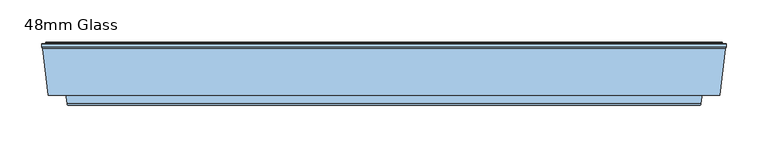
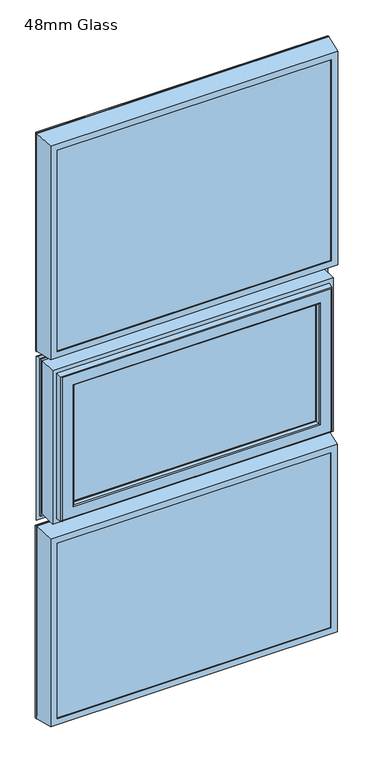
"""IFC4 building model written with IfcOpenShell, lengths in millimetres: window geometry, 48mm Glass."""

import ifcopenshell
import ifcopenshell.guid

model = None  # the IFC model being written
_history = None  # IfcOwnerHistory: only IFC2X3 demands one
_inside = {}  # id of a spatial element -> (the spatial element, [elements in it])
_under = {}  # id of a project, library or spatial element -> (it, [spatial elements below it])
_declared = {}  # id of a project -> (the project, [libraries it declares])
_typed = {}  # id of a type object -> (the type object, [elements of that type])
_made_of = {}  # id of a material, layer set ... -> (it, [elements and type objects made of it])


def new_model(schema):
    """Start an empty IFC model of exactly this schema.

    Asked for "IFC4X3", IfcOpenShell would pick the latest addendum, in which some entities
    have other attributes; the version numbers below select the first issue.
    IFC2X3 requires an IfcOwnerHistory on every rooted entity: one is made here for all.
    """
    global model, _history
    if schema == "IFC4X3":
        model = ifcopenshell.file(schema_version=(4, 3, 0, 0))
    else:
        model = ifcopenshell.file(schema=schema)
    _inside.clear()
    _under.clear()
    _declared.clear()
    _typed.clear()
    _made_of.clear()
    _history = None
    if model.schema == "IFC2X3":
        org = make("IfcOrganization", Name="unknown")
        user = make(
            "IfcPersonAndOrganization",
            ThePerson=make("IfcPerson", FamilyName="unknown"),
            TheOrganization=org,
        )
        app = make(
            "IfcApplication",
            ApplicationDeveloper=org,
            Version="unknown",
            ApplicationFullName="unknown",
            ApplicationIdentifier="unknown",
        )
        _history = make(
            "IfcOwnerHistory",
            OwningUser=user,
            OwningApplication=app,
            ChangeAction="ADDED",
            CreationDate=0,
        )
    return model


def make(cls, **values):
    """One entity of the class cls with the attributes given. An attribute that is None is left unset."""
    return model.create_entity(
        cls, **{name: value for name, value in values.items() if value is not None}
    )


def rooted(cls, **values):
    """An entity with a GlobalId (a new one), such as an element, a storey or a relation."""
    return make(cls, GlobalId=ifcopenshell.guid.new(), OwnerHistory=_history, **values)


def si_unit(unit_type, name, prefix=None):
    """IfcSIUnit, for example si_unit("LENGTHUNIT", "METRE", prefix="MILLI")."""
    return make("IfcSIUnit", UnitType=unit_type, Prefix=prefix, Name=name)


def assignment(units):
    """IfcUnitAssignment: the units of a project."""
    return None if units is None else make("IfcUnitAssignment", Units=units)


def point(xyz):
    """IfcCartesianPoint."""
    return None if xyz is None else make("IfcCartesianPoint", Coordinates=xyz)


def direction(xyz):
    """IfcDirection."""
    return None if xyz is None else make("IfcDirection", DirectionRatios=xyz)


def frame(location, z_axis=None, x_axis=None):
    """IfcAxis2Placement3D, a coordinate frame: its origin and axes. An axis left out is left unset."""
    return make(
        "IfcAxis2Placement3D",
        Location=point(location),
        Axis=direction(z_axis),
        RefDirection=direction(x_axis),
    )


def origin():
    """The frame at (0, 0, 0) with its axes left unset."""
    return frame((0.0, 0.0, 0.0))


def place(relative_to, where):
    """IfcLocalPlacement: puts the frame where relative to a parent placement (None: the world)."""
    return make(
        "IfcLocalPlacement", PlacementRelTo=relative_to, RelativePlacement=where
    )


def context(
    kind, dimensions, precision=None, world=None, true_north=None, identifier=None
):
    """IfcGeometricRepresentationContext, for example the 3D "Model" context."""
    return make(
        "IfcGeometricRepresentationContext",
        ContextIdentifier=identifier,
        ContextType=kind,
        CoordinateSpaceDimension=dimensions,
        Precision=precision,
        WorldCoordinateSystem=world,
        TrueNorth=true_north,
    )


def project(units=None, contexts=None):
    """IfcProject with its units and contexts."""
    return rooted(
        "IfcProject",
        Name="project",
        RepresentationContexts=contexts,
        UnitsInContext=assignment(units),
    )


def spatial(cls, under=None, at=None, **own):
    """A site, building, storey or space (cls), placed at a placement, below another one or the project."""
    s = rooted(cls, ObjectPlacement=at, **own)
    if under is not None:
        _under.setdefault(under.id(), (under, []))[1].append(s)
    return s


def polyline(points):
    """IfcPolyline through the points."""
    return make("IfcPolyline", Points=[point(p) for p in points])


def ellipse_curve(where, semi_axis1, semi_axis2):
    """IfcEllipse in the frame where."""
    return make(
        "IfcEllipse", Position=where, SemiAxis1=semi_axis1, SemiAxis2=semi_axis2
    )


def outline(outer, holes=None, kind="AREA"):
    """IfcArbitraryClosedProfileDef: a profile drawn as a closed curve; with holes, ...WithVoids."""
    if holes is None:
        return make("IfcArbitraryClosedProfileDef", ProfileType=kind, OuterCurve=outer)
    return make(
        "IfcArbitraryProfileDefWithVoids",
        ProfileType=kind,
        OuterCurve=outer,
        InnerCurves=holes,
    )


def extrude(swept, where, along, depth):
    """IfcExtrudedAreaSolid: the profile swept, set in the frame where, extruded along a direction by depth."""
    return make(
        "IfcExtrudedAreaSolid",
        SweptArea=swept,
        Position=where,
        ExtrudedDirection=direction(along),
        Depth=depth,
    )


def shape(context_of_items, identifier, shape_type, items):
    """IfcShapeRepresentation: the items that make up one representation, for example the "Body"."""
    return make(
        "IfcShapeRepresentation",
        ContextOfItems=context_of_items,
        RepresentationIdentifier=identifier,
        RepresentationType=shape_type,
        Items=items,
    )


def source(mapping_origin, context_of_items, identifier, shape_type, items):
    """IfcRepresentationMap: a shape defined once, which mapped items show again and again."""
    return make(
        "IfcRepresentationMap",
        MappingOrigin=mapping_origin,
        MappedRepresentation=shape(context_of_items, identifier, shape_type, items),
    )


def transform(
    local_origin,
    x_axis=None,
    y_axis=None,
    z_axis=None,
    scale=None,
    scale2=None,
    scale3=None,
    uniform=True,
):
    """IfcCartesianTransformationOperator3D, or its non-uniform kind. x_axis, y_axis, z_axis: its Axis1, 2, 3."""
    if uniform:
        return make(
            "IfcCartesianTransformationOperator3D",
            Axis1=direction(x_axis),
            Axis2=direction(y_axis),
            LocalOrigin=point(local_origin),
            Scale=scale,
            Axis3=direction(z_axis),
        )
    return make(
        "IfcCartesianTransformationOperator3DnonUniform",
        Axis1=direction(x_axis),
        Axis2=direction(y_axis),
        LocalOrigin=point(local_origin),
        Scale=scale,
        Axis3=direction(z_axis),
        Scale2=scale2,
        Scale3=scale3,
    )


def mapped(mapping_source, mapping_target):
    """IfcMappedItem: shows the shape of a source again, moved by a transform."""
    return make(
        "IfcMappedItem", MappingSource=mapping_source, MappingTarget=mapping_target
    )


def made_of(thing, what):
    """Note that an element or type object is made of a material, layer set ...; save() writes the relation."""
    if what is not None:
        _made_of.setdefault(what.id(), (what, []))[1].append(thing)
    return thing


def element(
    cls,
    number,
    at=None,
    inside=None,
    cuts=None,
    type_object=None,
    material=None,
    context=None,
    identifier="Body",
    shape_type=None,
    held_by="IfcProductDefinitionShape",
    body=None,
    shapes=None,
    **own,
):
    """One element of the class cls, such as IfcWall. Its Tag is "e" and its number.

    at: its placement. inside: the storey or other place that contains it. cuts: it is an
    opening in that element (IfcRelVoidsElement). A single representation is given by context,
    identifier, shape_type and body (its items); several are given by shapes. held_by: the class
    of the entity that holds the representations. save() writes the other relations.
    """
    e = rooted(cls, Tag="e%d" % number, ObjectPlacement=at, **own)
    if body is not None:
        shapes = [shape(context, identifier, shape_type, body)]
    if shapes is not None:
        e.Representation = make(held_by, Representations=shapes)
    if inside is not None:
        _inside.setdefault(inside.id(), (inside, []))[1].append(e)
    if cuts is not None:
        rooted(
            "IfcRelVoidsElement", RelatingBuildingElement=cuts, RelatedOpeningElement=e
        )
    if type_object is not None:
        _typed.setdefault(type_object.id(), (type_object, []))[1].append(e)
    return made_of(e, material)


def aggregate(whole, parts):
    """IfcRelAggregates: a whole, such as a stair, and the parts it consists of."""
    return rooted("IfcRelAggregates", RelatingObject=whole, RelatedObjects=parts)


def save(model, path):
    """Write the relations noted so far, then the file.

    IfcRelAggregates (storeys below a building ...), IfcRelContainedInSpatialStructure (elements
    in a storey), IfcRelDefinesByType, IfcRelAssociatesMaterial and IfcRelDeclares: one each for
    every whole, place, type object, material and project.
    """
    for whole, parts in _under.values():
        aggregate(whole, parts)
    for where, things in _inside.values():
        rooted(
            "IfcRelContainedInSpatialStructure",
            RelatedElements=things,
            RelatingStructure=where,
        )
    for kind, things in _typed.values():
        rooted("IfcRelDefinesByType", RelatedObjects=things, RelatingType=kind)
    for what, things in _made_of.values():
        rooted("IfcRelAssociatesMaterial", RelatedObjects=things, RelatingMaterial=what)
    for by, libraries in _declared.values():
        rooted("IfcRelDeclares", RelatingContext=by, RelatedDefinitions=libraries)
    model.write(path)


def plane_surface(at):
    """IfcPlane: the flat surface through the origin of the frame at, square to its z axis."""
    return make("IfcPlane", Position=at)


def cylinder_surface(at, radius):
    """IfcCylindricalSurface: all points at the distance radius from the z axis of the frame at."""
    return make("IfcCylindricalSurface", Position=at, Radius=radius)


def advanced_brep(points, edges, surfaces, faces):
    """IfcAdvancedBrep: a solid bounded by faces that lie on surfaces and meet in shared edges.

    An edge is (start, end): straight between two places in points (the first is 0);
    or (start, end, curve); or (start, end, curve, False) where it runs against its curve.
    A face is (place in surfaces, loops), or (place, loops, False) where it looks against
    its surface's normal. A loop lists edges by number (the first is 1), with a minus sign
    where the edge is run from its end to its start. The first loop is the outer one.
    """
    corners = [point(p) for p in points]
    vertices = [make("IfcVertexPoint", VertexGeometry=c) for c in corners]
    made = []
    for start, end, *more in edges:
        made.append(
            make(
                "IfcEdgeCurve",
                EdgeStart=vertices[start],
                EdgeEnd=vertices[end],
                EdgeGeometry=more[0] if more else make("IfcPolyline", Points=[corners[start], corners[end]]),
                SameSense=more[1] if len(more) > 1 else True,
            )
        )
    hull = []
    for where, loops, *sense in faces:
        bounds = []
        for j, loop in enumerate(loops):
            ring = [make("IfcOrientedEdge", EdgeElement=made[abs(k) - 1], Orientation=k > 0) for k in loop]
            bounds.append(
                make(
                    "IfcFaceOuterBound" if j == 0 else "IfcFaceBound",
                    Bound=make("IfcEdgeLoop", EdgeList=ring),
                    Orientation=True,
                )
            )
        hull.append(make("IfcAdvancedFace", Bounds=bounds, FaceSurface=surfaces[where], SameSense=sense[0] if sense else True))
    return make("IfcAdvancedBrep", Outer=make("IfcClosedShell", CfsFaces=hull))


def window_48mm_glass_285c9c39(model_context):
    return source(origin(), model_context, "Body", "SolidModel", [
        extrude(outline(polyline([(396.0, 93.0), (-396.0, 93.0), (-396.0, 141.0), (396.0, 141.0), (396.0, 93.0)])), frame((0.0, 0.0, 1931.0), z_axis=(0.0, 0.0, 1.0), x_axis=(1.0, 0.0, 0.0)), (0.0, 0.0, 1.0), 621.0),
        advanced_brep(
        [(382.0, 142.3448353, 2538.0), (384.8884017, 151.7923717, 2540.8884017), (384.8884017, 151.7923717, 1942.1115983), (382.0, 142.3448353, 1945.0), (382.0, 141.0, 2538.0), (382.0, 141.0, 1945.0), (396.0, 93.0, 2552.0), (396.0, 141.0, 2552.0), (396.0, 141.0, 1931.0), (396.0, 93.0, 1931.0), (382.0, 90.0, 2538.0), (382.0, 93.0, 2538.0), (382.0, 93.0, 1945.0), (382.0, 90.0, 1945.0), (406.822025, 145.5609347, 2562.822025), (400.0, 90.0, 2556.0), (400.0, 90.0, 1927.0), (406.822025, 145.5609347, 1920.177975), (407.6, 147.2, 2563.6), (407.6, 147.2, 1919.4), (407.6, 150.5, 2563.6), (407.6, 150.5, 1919.4), (403.22, 151.5, 2559.22), (403.22, 150.5, 2559.22), (403.22, 150.5, 1923.78), (403.22, 151.5, 1923.78), (402.22, 152.5, 2558.22), (402.22, 152.5, 1924.78), (385.8447065, 152.5, 2541.8447065), (385.8447065, 152.5, 1941.1552935), (-384.8884017, 151.7923717, 1942.1115983), (-382.0, 142.3448353, 1945.0), (-382.0, 141.0, 1945.0), (-396.0, 141.0, 1931.0), (-396.0, 93.0, 1931.0), (-382.0, 93.0, 1945.0), (-382.0, 90.0, 1945.0), (-400.0, 90.0, 1927.0), (-406.822025, 145.5609347, 1920.177975), (-407.6, 147.2, 1919.4), (-407.6, 150.5, 1919.4), (-403.22, 150.5, 1923.78), (-403.22, 151.5, 1923.78), (-402.22, 152.5, 1924.78), (-385.8447065, 152.5, 1941.1552935), (-384.8884017, 151.7923717, 2540.8884017), (-382.0, 142.3448353, 2538.0), (-382.0, 141.0, 2538.0), (-396.0, 141.0, 2552.0), (-396.0, 93.0, 2552.0), (-382.0, 93.0, 2538.0), (-382.0, 90.0, 2538.0), (-400.0, 90.0, 2556.0), (-406.822025, 145.5609347, 2562.822025), (-407.6, 147.2, 2563.6), (-407.6, 150.5, 2563.6), (-403.22, 150.5, 2559.22), (-403.22, 151.5, 2559.22), (-402.22, 152.5, 2558.22), (-385.8447065, 152.5, 2541.8447065)],
        [
            (0, 1),
            (1, 2),
            (2, 3),
            (3, 0),
            (4, 0),
            (3, 5),
            (5, 4),
            (6, 7),
            (7, 8),
            (8, 9),
            (9, 6),
            (10, 11),
            (11, 12),
            (12, 13),
            (13, 10),
            (14, 15),
            (15, 16),
            (16, 17),
            (17, 14),
            (18, 14),
            (17, 19),
            (19, 18),
            (20, 18),
            (19, 21),
            (21, 20),
            (22, 23),
            (23, 24),
            (24, 25),
            (25, 22),
            (26, 22, ellipse_curve(frame((402.22, 151.5, 2558.22), z_axis=(0.7071067811865475, 0.0, -0.7071067811865475), x_axis=(0.7071067811865474, 0.0, 0.7071067811865476)), 1.4142136, 1.0)),
            (25, 27, ellipse_curve(frame((402.22, 151.5, 1924.78), z_axis=(0.7071067811865475, 0.0, 0.7071067811865475), x_axis=(-0.7071067811865474, 0.0, 0.7071067811865476)), 1.4142136, 1.0)),
            (27, 26),
            (1, 28, ellipse_curve(frame((385.8447065, 151.5, 2541.8447065), z_axis=(0.7071067811865475, 0.0, -0.7071067811865475), x_axis=(0.7071067811865474, 0.0, 0.7071067811865476)), 1.4142136, 1.0)),
            (28, 29),
            (29, 2, ellipse_curve(frame((385.8447065, 151.5, 1941.1552935), z_axis=(0.7071067811865475, 0.0, 0.7071067811865475), x_axis=(-0.7071067811865474, 0.0, 0.7071067811865476)), 1.4142136, 1.0)),
            (2, 30),
            (30, 31),
            (31, 3),
            (31, 32),
            (32, 5),
            (8, 33),
            (33, 34),
            (34, 9),
            (12, 35),
            (35, 36),
            (36, 13),
            (16, 37),
            (37, 38),
            (38, 17),
            (38, 39),
            (39, 19),
            (39, 40),
            (40, 21),
            (24, 41),
            (41, 42),
            (42, 25),
            (42, 43, ellipse_curve(frame((-402.22, 151.5, 1924.78), z_axis=(0.7071067811865475, 0.0, -0.7071067811865475), x_axis=(0.7071067811865476, 0.0, 0.7071067811865474)), 1.4142136, 1.0)),
            (43, 27),
            (29, 44),
            (44, 30, ellipse_curve(frame((-385.8447065, 151.5, 1941.1552935), z_axis=(0.7071067811865475, 0.0, -0.7071067811865475), x_axis=(0.7071067811865476, 0.0, 0.7071067811865474)), 1.4142136, 1.0)),
            (30, 45),
            (45, 46),
            (46, 31),
            (46, 47),
            (47, 32),
            (33, 48),
            (48, 49),
            (49, 34),
            (35, 50),
            (50, 51),
            (51, 36),
            (37, 52),
            (52, 53),
            (53, 38),
            (53, 54),
            (54, 39),
            (54, 55),
            (55, 40),
            (41, 56),
            (56, 57),
            (57, 42),
            (57, 58, ellipse_curve(frame((-402.22, 151.5, 2558.22), z_axis=(-0.7071067811865475, 0.0, -0.7071067811865475), x_axis=(0.7071067811865474, 0.0, -0.7071067811865476)), 1.4142136, 1.0)),
            (58, 43),
            (44, 59),
            (59, 45, ellipse_curve(frame((-385.8447065, 151.5, 2541.8447065), z_axis=(-0.7071067811865475, 0.0, -0.7071067811865475), x_axis=(0.7071067811865474, 0.0, -0.7071067811865476)), 1.4142136, 1.0)),
            (45, 1),
            (0, 46),
            (4, 47),
            (7, 48),
            (6, 49),
            (11, 50),
            (10, 51),
            (15, 52),
            (14, 53),
            (18, 54),
            (20, 55),
            (23, 56),
            (22, 57),
            (26, 58),
            (28, 59),
        ],
        [
            plane_surface(frame((384.8884017, 151.7923717, 2540.8884017), z_axis=(-0.9563047559630347, 0.29237170472273977, 0.0), x_axis=(0.0, 0.0, -1.0))),
            plane_surface(frame((382.0, 142.3448353, 2538.0), z_axis=(-1.0, 0.0, 0.0), x_axis=(0.0, 0.0, -1.0))),
            plane_surface(frame((396.0, 141.0, 2552.0), z_axis=(-1.0, 0.0, 0.0), x_axis=(0.0, 0.0, -1.0))),
            plane_surface(frame((382.0, 93.0, 2538.0), z_axis=(-1.0, 0.0, 0.0), x_axis=(0.0, 0.0, -1.0))),
            plane_surface(frame((400.0, 90.0, 2556.0), z_axis=(0.9925461516413231, -0.12186934340513905, 0.0), x_axis=(0.0, 0.0, -1.0))),
            plane_surface(frame((406.822025, 145.5609347, 2562.822025), z_axis=(0.9034015732556399, -0.4287955193786835, 0.0), x_axis=(0.0, 0.0, -1.0))),
            plane_surface(frame((407.6, 147.2, 2563.6), z_axis=(1.0, 0.0, 0.0), x_axis=(0.0, 0.0, -1.0))),
            plane_surface(frame((403.22, 150.5, 2559.22), z_axis=(1.0, 0.0, 0.0), x_axis=(0.0, 0.0, -1.0))),
            cylinder_surface(frame((402.22, 151.5, 2588.0), z_axis=(0.0, 0.0, 1.0), x_axis=(0.0, -1.0, 0.0)), 1.0),
            cylinder_surface(frame((385.8447065, 151.5, 2588.0), z_axis=(0.0, 0.0, 1.0), x_axis=(0.0, -1.0, 0.0)), 1.0),
            plane_surface(frame((384.8884017, 151.7923717, 1942.1115983), z_axis=(0.0, 0.29237170472273977, 0.9563047559630347), x_axis=(-1.0, 0.0, 0.0))),
            plane_surface(frame((382.0, 142.3448353, 1945.0), z_axis=(0.0, 0.0, 1.0), x_axis=(-1.0, 0.0, 0.0))),
            plane_surface(frame((396.0, 141.0, 1931.0), z_axis=(0.0, 0.0, 1.0), x_axis=(-1.0, 0.0, 0.0))),
            plane_surface(frame((382.0, 93.0, 1945.0), z_axis=(0.0, 0.0, 1.0), x_axis=(-1.0, 0.0, 0.0))),
            plane_surface(frame((400.0, 90.0, 1927.0), z_axis=(0.0, -0.12186934340513905, -0.9925461516413231), x_axis=(-1.0, 0.0, 0.0))),
            plane_surface(frame((406.822025, 145.5609347, 1920.177975), z_axis=(0.0, -0.4287955193786835, -0.9034015732556399), x_axis=(-1.0, 0.0, 0.0))),
            plane_surface(frame((407.6, 147.2, 1919.4), z_axis=(0.0, 0.0, -1.0), x_axis=(-1.0, 0.0, 0.0))),
            plane_surface(frame((403.22, 150.5, 1923.78), z_axis=(0.0, 0.0, -1.0), x_axis=(-1.0, 0.0, 0.0))),
            cylinder_surface(frame((432.0, 151.5, 1924.78), z_axis=(1.0, 0.0, 0.0), x_axis=(0.0, -1.0, 0.0)), 1.0),
            cylinder_surface(frame((432.0, 151.5, 1941.1552935), z_axis=(1.0, 0.0, 0.0), x_axis=(0.0, -1.0, 0.0)), 1.0),
            plane_surface(frame((-384.8884017, 151.7923717, 1942.1115983), z_axis=(0.9563047559630347, 0.29237170472273977, 0.0), x_axis=(0.0, 0.0, 1.0))),
            plane_surface(frame((-382.0, 142.3448353, 1945.0), z_axis=(1.0, 0.0, 0.0), x_axis=(0.0, 0.0, 1.0))),
            plane_surface(frame((-396.0, 141.0, 1931.0), z_axis=(1.0, 0.0, 0.0), x_axis=(0.0, 0.0, 1.0))),
            plane_surface(frame((-382.0, 93.0, 1945.0), z_axis=(1.0, 0.0, 0.0), x_axis=(0.0, 0.0, 1.0))),
            plane_surface(frame((-400.0, 90.0, 1927.0), z_axis=(-0.9925461516413231, -0.12186934340513905, 0.0), x_axis=(0.0, 0.0, 1.0))),
            plane_surface(frame((-406.822025, 145.5609347, 1920.177975), z_axis=(-0.9034015732556399, -0.4287955193786835, 0.0), x_axis=(0.0, 0.0, 1.0))),
            plane_surface(frame((-407.6, 147.2, 1919.4), z_axis=(-1.0, 0.0, 0.0), x_axis=(0.0, 0.0, 1.0))),
            plane_surface(frame((-403.22, 150.5, 1923.78), z_axis=(-1.0, 0.0, 0.0), x_axis=(0.0, 0.0, 1.0))),
            cylinder_surface(frame((-402.22, 151.5, 1895.0), z_axis=(0.0, 0.0, -1.0), x_axis=(0.0, -1.0, 0.0)), 1.0),
            cylinder_surface(frame((-385.8447065, 151.5, 1895.0), z_axis=(0.0, 0.0, -1.0), x_axis=(0.0, -1.0, 0.0)), 1.0),
            plane_surface(frame((-384.8884017, 151.7923717, 2540.8884017), z_axis=(0.0, 0.29237170472273977, -0.9563047559630347), x_axis=(1.0, 0.0, 0.0))),
            plane_surface(frame((-382.0, 142.3448353, 2538.0), z_axis=(0.0, 0.0, -1.0), x_axis=(1.0, 0.0, 0.0))),
            plane_surface(frame((-382.0, 141.0, 2538.0), z_axis=(0.0, -1.0, 0.0), x_axis=(1.0, 0.0, 0.0))),
            plane_surface(frame((-396.0, 141.0, 2552.0), z_axis=(0.0, 0.0, -1.0), x_axis=(1.0, 0.0, 0.0))),
            plane_surface(frame((-396.0, 93.0, 2552.0), z_axis=(0.0, 1.0, 0.0), x_axis=(1.0, 0.0, 0.0))),
            plane_surface(frame((-382.0, 93.0, 2538.0), z_axis=(0.0, 0.0, -1.0), x_axis=(1.0, 0.0, 0.0))),
            plane_surface(frame((-382.0, 90.0, 2538.0), z_axis=(0.0, -1.0, 0.0), x_axis=(1.0, 0.0, 0.0))),
            plane_surface(frame((-400.0, 90.0, 2556.0), z_axis=(0.0, -0.12186934340513905, 0.9925461516413231), x_axis=(1.0, 0.0, 0.0))),
            plane_surface(frame((-406.822025, 145.5609347, 2562.822025), z_axis=(0.0, -0.4287955193786835, 0.9034015732556399), x_axis=(1.0, 0.0, 0.0))),
            plane_surface(frame((-407.6, 147.2, 2563.6), z_axis=(0.0, 0.0, 1.0), x_axis=(1.0, 0.0, 0.0))),
            plane_surface(frame((-407.6, 150.5, 2563.6), z_axis=(0.0, 1.0, 0.0), x_axis=(1.0, 0.0, 0.0))),
            plane_surface(frame((-403.22, 150.5, 2559.22), z_axis=(0.0, 0.0, 1.0), x_axis=(1.0, 0.0, 0.0))),
            cylinder_surface(frame((-432.0, 151.5, 2558.22), z_axis=(-1.0, 0.0, 0.0), x_axis=(0.0, -1.0, 0.0)), 1.0),
            plane_surface(frame((-402.22, 152.5, 2558.22), z_axis=(0.0, 1.0, 0.0), x_axis=(1.0, 0.0, 0.0))),
            cylinder_surface(frame((-432.0, 151.5, 2541.8447065), z_axis=(-1.0, 0.0, 0.0), x_axis=(0.0, -1.0, 0.0)), 1.0),
        ],
        [
            (0, [[1, 2, 3, 4]]),
            (1, [[5, -4, 6, 7]]),
            (2, [[8, 9, 10, 11]]),
            (3, [[12, 13, 14, 15]]),
            (4, [[16, 17, 18, 19]]),
            (5, [[20, -19, 21, 22]]),
            (6, [[23, -22, 24, 25]]),
            (7, [[26, 27, 28, 29]]),
            (8, [[30, -29, 31, 32]]),
            (9, [[33, 34, 35, -2]]),
            (10, [[-3, 36, 37, 38]]),
            (11, [[-6, -38, 39, 40]]),
            (12, [[-10, 41, 42, 43]]),
            (13, [[-14, 44, 45, 46]]),
            (14, [[-18, 47, 48, 49]]),
            (15, [[-21, -49, 50, 51]]),
            (16, [[-24, -51, 52, 53]]),
            (17, [[-28, 54, 55, 56]]),
            (18, [[-31, -56, 57, 58]]),
            (19, [[-35, 59, 60, -36]]),
            (20, [[-37, 61, 62, 63]]),
            (21, [[-39, -63, 64, 65]]),
            (22, [[-42, 66, 67, 68]]),
            (23, [[-45, 69, 70, 71]]),
            (24, [[-48, 72, 73, 74]]),
            (25, [[-50, -74, 75, 76]]),
            (26, [[-52, -76, 77, 78]]),
            (27, [[-55, 79, 80, 81]]),
            (28, [[-57, -81, 82, 83]]),
            (29, [[-60, 84, 85, -61]]),
            (30, [[-62, 86, -1, 87]]),
            (31, [[-64, -87, -5, 88]]),
            (32, [[89, -66, -41, -9], [-40, -65, -88, -7]]),
            (33, [[-67, -89, -8, 90]]),
            (34, [[-43, -68, -90, -11], [91, -69, -44, -13]]),
            (35, [[-70, -91, -12, 92]]),
            (36, [[93, -72, -47, -17], [-46, -71, -92, -15]]),
            (37, [[-73, -93, -16, 94]]),
            (38, [[-75, -94, -20, 95]]),
            (39, [[-77, -95, -23, 96]]),
            (40, [[-53, -78, -96, -25], [97, -79, -54, -27]]),
            (41, [[-80, -97, -26, 98]]),
            (42, [[-82, -98, -30, 99]]),
            (43, [[-58, -83, -99, -32], [100, -84, -59, -34]]),
            (44, [[-85, -100, -33, -86]]),
        ],
    ),
        extrude(outline(polyline([(396.0, 94.0), (-396.0, 94.0), (-396.0, 142.0), (396.0, 142.0), (396.0, 94.0)])), frame((0.0, 0.0, 848.0), z_axis=(0.0, 0.0, 1.0), x_axis=(1.0, 0.0, 0.0)), (0.0, 0.0, 1.0), 545.0),
        advanced_brep(
        [(382.0, 143.3448353, 1379.0), (384.8884017, 152.7923717, 1381.8884017), (384.8884017, 152.7923717, 859.1115983), (382.0, 143.3448353, 862.0), (382.0, 142.0, 1379.0), (382.0, 142.0, 862.0), (396.0, 94.0, 1393.0), (396.0, 142.0, 1393.0), (396.0, 142.0, 848.0), (396.0, 94.0, 848.0), (382.0, 91.0, 1379.0), (382.0, 94.0, 1379.0), (382.0, 94.0, 862.0), (382.0, 91.0, 862.0), (406.822025, 146.5609347, 1403.822025), (400.0, 91.0, 1397.0), (400.0, 91.0, 844.0), (406.822025, 146.5609347, 837.177975), (407.6, 148.2, 1404.6), (407.6, 148.2, 836.4), (407.6, 151.5, 1404.6), (407.6, 151.5, 836.4), (403.22, 152.5, 1400.22), (403.22, 151.5, 1400.22), (403.22, 151.5, 840.78), (403.22, 152.5, 840.78), (402.22, 153.5, 1399.22), (402.22, 153.5, 841.78), (385.8447065, 153.5, 1382.8447065), (385.8447065, 153.5, 858.1552935), (-384.8884017, 152.7923717, 859.1115983), (-382.0, 143.3448353, 862.0), (-382.0, 142.0, 862.0), (-396.0, 142.0, 848.0), (-396.0, 94.0, 848.0), (-382.0, 94.0, 862.0), (-382.0, 91.0, 862.0), (-400.0, 91.0, 844.0), (-406.822025, 146.5609347, 837.177975), (-407.6, 148.2, 836.4), (-407.6, 151.5, 836.4), (-403.22, 151.5, 840.78), (-403.22, 152.5, 840.78), (-402.22, 153.5, 841.78), (-385.8447065, 153.5, 858.1552935), (-384.8884017, 152.7923717, 1381.8884017), (-382.0, 143.3448353, 1379.0), (-382.0, 142.0, 1379.0), (-396.0, 142.0, 1393.0), (-396.0, 94.0, 1393.0), (-382.0, 94.0, 1379.0), (-382.0, 91.0, 1379.0), (-400.0, 91.0, 1397.0), (-406.822025, 146.5609347, 1403.822025), (-407.6, 148.2, 1404.6), (-407.6, 151.5, 1404.6), (-403.22, 151.5, 1400.22), (-403.22, 152.5, 1400.22), (-402.22, 153.5, 1399.22), (-385.8447065, 153.5, 1382.8447065)],
        [
            (0, 1),
            (1, 2),
            (2, 3),
            (3, 0),
            (4, 0),
            (3, 5),
            (5, 4),
            (6, 7),
            (7, 8),
            (8, 9),
            (9, 6),
            (10, 11),
            (11, 12),
            (12, 13),
            (13, 10),
            (14, 15),
            (15, 16),
            (16, 17),
            (17, 14),
            (18, 14),
            (17, 19),
            (19, 18),
            (20, 18),
            (19, 21),
            (21, 20),
            (22, 23),
            (23, 24),
            (24, 25),
            (25, 22),
            (26, 22, ellipse_curve(frame((402.22, 152.5, 1399.22), z_axis=(0.7071067811865475, 0.0, -0.7071067811865475), x_axis=(0.7071067811865474, 0.0, 0.7071067811865476)), 1.4142136, 1.0)),
            (25, 27, ellipse_curve(frame((402.22, 152.5, 841.78), z_axis=(0.7071067811865475, 0.0, 0.7071067811865475), x_axis=(-0.7071067811865474, 0.0, 0.7071067811865476)), 1.4142136, 1.0)),
            (27, 26),
            (1, 28, ellipse_curve(frame((385.8447065, 152.5, 1382.8447065), z_axis=(0.7071067811865475, 0.0, -0.7071067811865475), x_axis=(0.7071067811865474, 0.0, 0.7071067811865476)), 1.4142136, 1.0)),
            (28, 29),
            (29, 2, ellipse_curve(frame((385.8447065, 152.5, 858.1552935), z_axis=(0.7071067811865475, 0.0, 0.7071067811865475), x_axis=(-0.7071067811865474, 0.0, 0.7071067811865476)), 1.4142136, 1.0)),
            (2, 30),
            (30, 31),
            (31, 3),
            (31, 32),
            (32, 5),
            (8, 33),
            (33, 34),
            (34, 9),
            (12, 35),
            (35, 36),
            (36, 13),
            (16, 37),
            (37, 38),
            (38, 17),
            (38, 39),
            (39, 19),
            (39, 40),
            (40, 21),
            (24, 41),
            (41, 42),
            (42, 25),
            (42, 43, ellipse_curve(frame((-402.22, 152.5, 841.78), z_axis=(0.7071067811865475, 0.0, -0.7071067811865475), x_axis=(0.7071067811865476, 0.0, 0.7071067811865474)), 1.4142136, 1.0)),
            (43, 27),
            (29, 44),
            (44, 30, ellipse_curve(frame((-385.8447065, 152.5, 858.1552935), z_axis=(0.7071067811865475, 0.0, -0.7071067811865475), x_axis=(0.7071067811865476, 0.0, 0.7071067811865474)), 1.4142136, 1.0)),
            (30, 45),
            (45, 46),
            (46, 31),
            (46, 47),
            (47, 32),
            (33, 48),
            (48, 49),
            (49, 34),
            (35, 50),
            (50, 51),
            (51, 36),
            (37, 52),
            (52, 53),
            (53, 38),
            (53, 54),
            (54, 39),
            (54, 55),
            (55, 40),
            (41, 56),
            (56, 57),
            (57, 42),
            (57, 58, ellipse_curve(frame((-402.22, 152.5, 1399.22), z_axis=(-0.7071067811865475, 0.0, -0.7071067811865475), x_axis=(0.7071067811865474, 0.0, -0.7071067811865476)), 1.4142136, 1.0)),
            (58, 43),
            (44, 59),
            (59, 45, ellipse_curve(frame((-385.8447065, 152.5, 1382.8447065), z_axis=(-0.7071067811865475, 0.0, -0.7071067811865475), x_axis=(0.7071067811865474, 0.0, -0.7071067811865476)), 1.4142136, 1.0)),
            (45, 1),
            (0, 46),
            (4, 47),
            (7, 48),
            (6, 49),
            (11, 50),
            (10, 51),
            (15, 52),
            (14, 53),
            (18, 54),
            (20, 55),
            (23, 56),
            (22, 57),
            (26, 58),
            (28, 59),
        ],
        [
            plane_surface(frame((384.8884017, 152.7923717, 1381.8884017), z_axis=(-0.9563047559630347, 0.29237170472273977, 0.0), x_axis=(0.0, 0.0, -1.0))),
            plane_surface(frame((382.0, 143.3448353, 1379.0), z_axis=(-1.0, 0.0, 0.0), x_axis=(0.0, 0.0, -1.0))),
            plane_surface(frame((396.0, 142.0, 1393.0), z_axis=(-1.0, 0.0, 0.0), x_axis=(0.0, 0.0, -1.0))),
            plane_surface(frame((382.0, 94.0, 1379.0), z_axis=(-1.0, 0.0, 0.0), x_axis=(0.0, 0.0, -1.0))),
            plane_surface(frame((400.0, 91.0, 1397.0), z_axis=(0.9925461516413231, -0.12186934340513905, 0.0), x_axis=(0.0, 0.0, -1.0))),
            plane_surface(frame((406.822025, 146.5609347, 1403.822025), z_axis=(0.9034015732556399, -0.4287955193786835, 0.0), x_axis=(0.0, 0.0, -1.0))),
            plane_surface(frame((407.6, 148.2, 1404.6), z_axis=(1.0, 0.0, 0.0), x_axis=(0.0, 0.0, -1.0))),
            plane_surface(frame((403.22, 151.5, 1400.22), z_axis=(1.0, 0.0, 0.0), x_axis=(0.0, 0.0, -1.0))),
            cylinder_surface(frame((402.22, 152.5, 1429.0), z_axis=(0.0, 0.0, 1.0), x_axis=(0.0, -1.0, 0.0)), 1.0),
            cylinder_surface(frame((385.8447065, 152.5, 1429.0), z_axis=(0.0, 0.0, 1.0), x_axis=(0.0, -1.0, 0.0)), 1.0),
            plane_surface(frame((384.8884017, 152.7923717, 859.1115983), z_axis=(0.0, 0.29237170472273977, 0.9563047559630347), x_axis=(-1.0, 0.0, 0.0))),
            plane_surface(frame((382.0, 143.3448353, 862.0), z_axis=(0.0, 0.0, 1.0), x_axis=(-1.0, 0.0, 0.0))),
            plane_surface(frame((396.0, 142.0, 848.0), z_axis=(0.0, 0.0, 1.0), x_axis=(-1.0, 0.0, 0.0))),
            plane_surface(frame((382.0, 94.0, 862.0), z_axis=(0.0, 0.0, 1.0), x_axis=(-1.0, 0.0, 0.0))),
            plane_surface(frame((400.0, 91.0, 844.0), z_axis=(0.0, -0.12186934340513905, -0.9925461516413231), x_axis=(-1.0, 0.0, 0.0))),
            plane_surface(frame((406.822025, 146.5609347, 837.177975), z_axis=(0.0, -0.4287955193786835, -0.9034015732556399), x_axis=(-1.0, 0.0, 0.0))),
            plane_surface(frame((407.6, 148.2, 836.4), z_axis=(0.0, 0.0, -1.0), x_axis=(-1.0, 0.0, 0.0))),
            plane_surface(frame((403.22, 151.5, 840.78), z_axis=(0.0, 0.0, -1.0), x_axis=(-1.0, 0.0, 0.0))),
            cylinder_surface(frame((432.0, 152.5, 841.78), z_axis=(1.0, 0.0, 0.0), x_axis=(0.0, -1.0, 0.0)), 1.0),
            cylinder_surface(frame((432.0, 152.5, 858.1552935), z_axis=(1.0, 0.0, 0.0), x_axis=(0.0, -1.0, 0.0)), 1.0),
            plane_surface(frame((-384.8884017, 152.7923717, 859.1115983), z_axis=(0.9563047559630347, 0.29237170472273977, 0.0), x_axis=(0.0, 0.0, 1.0))),
            plane_surface(frame((-382.0, 143.3448353, 862.0), z_axis=(1.0, 0.0, 0.0), x_axis=(0.0, 0.0, 1.0))),
            plane_surface(frame((-396.0, 142.0, 848.0), z_axis=(1.0, 0.0, 0.0), x_axis=(0.0, 0.0, 1.0))),
            plane_surface(frame((-382.0, 94.0, 862.0), z_axis=(1.0, 0.0, 0.0), x_axis=(0.0, 0.0, 1.0))),
            plane_surface(frame((-400.0, 91.0, 844.0), z_axis=(-0.9925461516413231, -0.12186934340513905, 0.0), x_axis=(0.0, 0.0, 1.0))),
            plane_surface(frame((-406.822025, 146.5609347, 837.177975), z_axis=(-0.9034015732556399, -0.4287955193786835, 0.0), x_axis=(0.0, 0.0, 1.0))),
            plane_surface(frame((-407.6, 148.2, 836.4), z_axis=(-1.0, 0.0, 0.0), x_axis=(0.0, 0.0, 1.0))),
            plane_surface(frame((-403.22, 151.5, 840.78), z_axis=(-1.0, 0.0, 0.0), x_axis=(0.0, 0.0, 1.0))),
            cylinder_surface(frame((-402.22, 152.5, 812.0), z_axis=(0.0, 0.0, -1.0), x_axis=(0.0, -1.0, 0.0)), 1.0),
            cylinder_surface(frame((-385.8447065, 152.5, 812.0), z_axis=(0.0, 0.0, -1.0), x_axis=(0.0, -1.0, 0.0)), 1.0),
            plane_surface(frame((-384.8884017, 152.7923717, 1381.8884017), z_axis=(0.0, 0.29237170472273977, -0.9563047559630347), x_axis=(1.0, 0.0, 0.0))),
            plane_surface(frame((-382.0, 143.3448353, 1379.0), z_axis=(0.0, 0.0, -1.0), x_axis=(1.0, 0.0, 0.0))),
            plane_surface(frame((-382.0, 142.0, 1379.0), z_axis=(0.0, -1.0, 0.0), x_axis=(1.0, 0.0, 0.0))),
            plane_surface(frame((-396.0, 142.0, 1393.0), z_axis=(0.0, 0.0, -1.0), x_axis=(1.0, 0.0, 0.0))),
            plane_surface(frame((-396.0, 94.0, 1393.0), z_axis=(0.0, 1.0, 0.0), x_axis=(1.0, 0.0, 0.0))),
            plane_surface(frame((-382.0, 94.0, 1379.0), z_axis=(0.0, 0.0, -1.0), x_axis=(1.0, 0.0, 0.0))),
            plane_surface(frame((-382.0, 91.0, 1379.0), z_axis=(0.0, -1.0, 0.0), x_axis=(1.0, 0.0, 0.0))),
            plane_surface(frame((-400.0, 91.0, 1397.0), z_axis=(0.0, -0.12186934340513905, 0.9925461516413231), x_axis=(1.0, 0.0, 0.0))),
            plane_surface(frame((-406.822025, 146.5609347, 1403.822025), z_axis=(0.0, -0.4287955193786835, 0.9034015732556399), x_axis=(1.0, 0.0, 0.0))),
            plane_surface(frame((-407.6, 148.2, 1404.6), z_axis=(0.0, 0.0, 1.0), x_axis=(1.0, 0.0, 0.0))),
            plane_surface(frame((-407.6, 151.5, 1404.6), z_axis=(0.0, 1.0, 0.0), x_axis=(1.0, 0.0, 0.0))),
            plane_surface(frame((-403.22, 151.5, 1400.22), z_axis=(0.0, 0.0, 1.0), x_axis=(1.0, 0.0, 0.0))),
            cylinder_surface(frame((-432.0, 152.5, 1399.22), z_axis=(-1.0, 0.0, 0.0), x_axis=(0.0, -1.0, 0.0)), 1.0),
            plane_surface(frame((-402.22, 153.5, 1399.22), z_axis=(0.0, 1.0, 0.0), x_axis=(1.0, 0.0, 0.0))),
            cylinder_surface(frame((-432.0, 152.5, 1382.8447065), z_axis=(-1.0, 0.0, 0.0), x_axis=(0.0, -1.0, 0.0)), 1.0),
        ],
        [
            (0, [[1, 2, 3, 4]]),
            (1, [[5, -4, 6, 7]]),
            (2, [[8, 9, 10, 11]]),
            (3, [[12, 13, 14, 15]]),
            (4, [[16, 17, 18, 19]]),
            (5, [[20, -19, 21, 22]]),
            (6, [[23, -22, 24, 25]]),
            (7, [[26, 27, 28, 29]]),
            (8, [[30, -29, 31, 32]]),
            (9, [[33, 34, 35, -2]]),
            (10, [[-3, 36, 37, 38]]),
            (11, [[-6, -38, 39, 40]]),
            (12, [[-10, 41, 42, 43]]),
            (13, [[-14, 44, 45, 46]]),
            (14, [[-18, 47, 48, 49]]),
            (15, [[-21, -49, 50, 51]]),
            (16, [[-24, -51, 52, 53]]),
            (17, [[-28, 54, 55, 56]]),
            (18, [[-31, -56, 57, 58]]),
            (19, [[-35, 59, 60, -36]]),
            (20, [[-37, 61, 62, 63]]),
            (21, [[-39, -63, 64, 65]]),
            (22, [[-42, 66, 67, 68]]),
            (23, [[-45, 69, 70, 71]]),
            (24, [[-48, 72, 73, 74]]),
            (25, [[-50, -74, 75, 76]]),
            (26, [[-52, -76, 77, 78]]),
            (27, [[-55, 79, 80, 81]]),
            (28, [[-57, -81, 82, 83]]),
            (29, [[-60, 84, 85, -61]]),
            (30, [[-62, 86, -1, 87]]),
            (31, [[-64, -87, -5, 88]]),
            (32, [[89, -66, -41, -9], [-40, -65, -88, -7]]),
            (33, [[-67, -89, -8, 90]]),
            (34, [[-43, -68, -90, -11], [91, -69, -44, -13]]),
            (35, [[-70, -91, -12, 92]]),
            (36, [[93, -72, -47, -17], [-46, -71, -92, -15]]),
            (37, [[-73, -93, -16, 94]]),
            (38, [[-75, -94, -20, 95]]),
            (39, [[-77, -95, -23, 96]]),
            (40, [[-53, -78, -96, -25], [97, -79, -54, -27]]),
            (41, [[-80, -97, -26, 98]]),
            (42, [[-82, -98, -30, 99]]),
            (43, [[-58, -83, -99, -32], [100, -84, -59, -34]]),
            (44, [[-85, -100, -33, -86]]),
        ],
    ),
        extrude(outline(polyline([(354.0, 93.0110098), (-354.0, 93.0110098), (-354.0, 141.0110098), (354.0, 141.0110098), (354.0, 93.0110098)])), frame((0.0, 0.0, 1473.0), z_axis=(0.0, 0.0, 1.0), x_axis=(1.0, 0.0, 0.0)), (0.0, 0.0, 1.0), 378.0),
        advanced_brep(
        [(396.5, 148.6168436, 1893.5), (396.5, 145.5999985, 1893.5), (396.5, 145.5999985, 1430.5), (396.5, 148.6168436, 1430.5), (399.0, 153.0, 1896.0), (400.0, 152.0, 1897.0), (400.0, 152.0, 1427.0), (399.0, 153.0, 1428.0), (340.0012615, 141.0, 1837.0012615), (340.0012615, 142.3599713, 1837.0012615), (340.0012615, 142.3599713, 1486.9987385), (340.0012615, 141.0, 1486.9987385), (358.3697055, 93.0110098, 1855.3697055), (364.2620126, 141.0, 1861.2620126), (364.2620126, 141.0, 1462.7379874), (358.3697055, 93.0110098, 1468.6302945), (340.0013518, 90.0110098, 1837.0013518), (340.0013518, 93.0110098, 1837.0013518), (340.0013518, 93.0110098, 1486.9986482), (340.0013518, 90.0110098, 1486.9986482), (340.0232044, 88.8030982, 1837.0232044), (341.001352, 90.0110098, 1838.001352), (341.001352, 90.0110098, 1485.998648), (340.0232044, 88.8030982, 1486.9767956), (341.8120427, 80.376265, 1838.8120427), (341.8120427, 80.376265, 1485.1879573), (344.7464855, 78.0, 1841.7464855), (344.7464855, 78.0, 1482.2535145), (377.5618051, 79.7562613, 1874.5618051), (375.5767128, 78.0, 1872.5767128), (375.5767128, 78.0, 1451.4232872), (377.5618051, 79.7562613, 1449.4381949), (379.5562854, 96.0, 1876.5562854), (379.5562854, 96.0, 1447.4437146), (391.0, 145.5999985, 1888.0), (391.0, 96.0, 1888.0), (391.0, 96.0, 1436.0), (391.0, 145.5999985, 1436.0), (-396.5, 145.5999985, 1430.5), (-396.5, 148.6168436, 1430.5), (-400.0, 152.0, 1427.0), (-399.0, 153.0, 1428.0), (-340.0012615, 142.3599713, 1486.9987385), (-340.0012615, 141.0, 1486.9987385), (-364.2620126, 141.0, 1462.7379874), (-358.3697055, 93.0110098, 1468.6302945), (-340.0013518, 93.0110098, 1486.9986482), (-340.0013518, 90.0110098, 1486.9986482), (-341.001352, 90.0110098, 1485.998648), (-340.0232044, 88.8030982, 1486.9767956), (-341.8120427, 80.376265, 1485.1879573), (-344.7464855, 78.0, 1482.2535145), (-375.5767128, 78.0, 1451.4232872), (-377.5618051, 79.7562613, 1449.4381949), (-379.5562854, 96.0, 1447.4437146), (-391.0, 96.0, 1436.0), (-391.0, 145.5999985, 1436.0), (-396.5, 145.5999985, 1893.5), (-396.5, 148.6168436, 1893.5), (-400.0, 152.0, 1897.0), (-399.0, 153.0, 1896.0), (-340.0012615, 142.3599713, 1837.0012615), (-340.0012615, 141.0, 1837.0012615), (-364.2620126, 141.0, 1861.2620126), (-358.3697055, 93.0110098, 1855.3697055), (-340.0013518, 93.0110098, 1837.0013518), (-340.0013518, 90.0110098, 1837.0013518), (-341.001352, 90.0110098, 1838.001352), (-340.0232044, 88.8030982, 1837.0232044), (-341.8120427, 80.376265, 1838.8120427), (-344.7464855, 78.0, 1841.7464855), (-375.5767128, 78.0, 1872.5767128), (-377.5618051, 79.7562613, 1874.5618051), (-379.5562854, 96.0, 1876.5562854), (-391.0, 96.0, 1888.0), (-391.0, 145.5999985, 1888.0), (406.1997151, 149.6865589, 1420.8002849), (-406.1997151, 149.6865589, 1420.8002849), (-406.1997151, 149.6865589, 1903.1997151), (406.1997151, 149.6865589, 1903.1997151), (400.0, 149.6865589, 1897.0), (-400.0, 149.6865589, 1897.0), (-400.0, 149.6865589, 1427.0), (400.0, 149.6865589, 1427.0), (406.1997151, 148.6168436, 1903.1997151), (406.1997151, 148.6168436, 1420.8002849), (-406.1997151, 148.6168436, 1420.8002849), (-406.1997151, 148.6168436, 1903.1997151), (342.8249234, 151.5957532, 1839.8249234), (344.5279664, 153.0, 1841.5279664), (344.5279664, 153.0, 1482.4720336), (342.8249234, 151.5957532, 1484.1750766), (-344.5279664, 153.0, 1482.4720336), (-342.8249234, 151.5957532, 1484.1750766), (-344.5279664, 153.0, 1841.5279664), (-342.8249234, 151.5957532, 1839.8249234)],
        [
            (0, 1),
            (1, 2),
            (2, 3),
            (3, 0),
            (4, 5, ellipse_curve(frame((399.0, 152.0, 1896.0), z_axis=(0.7071067811865475, 0.0, -0.7071067811865475), x_axis=(0.7071067811865474, 0.0, 0.7071067811865476)), 1.4142136, 1.0)),
            (5, 6),
            (6, 7, ellipse_curve(frame((399.0, 152.0, 1428.0), z_axis=(0.7071067811865475, 0.0, 0.7071067811865475), x_axis=(-0.7071067811865474, 0.0, 0.7071067811865476)), 1.4142136, 1.0)),
            (7, 4),
            (8, 9),
            (9, 10),
            (10, 11),
            (11, 8),
            (12, 13),
            (13, 14),
            (14, 15),
            (15, 12),
            (16, 17),
            (17, 18),
            (18, 19),
            (19, 16),
            (20, 21, ellipse_curve(frame((341.001352, 89.0110098, 1838.001352), z_axis=(0.7071067811865475, 0.0, -0.7071067811865475), x_axis=(0.7071067811865474, 0.0, 0.7071067811865476)), 1.4142136, 1.0)),
            (21, 22),
            (22, 23, ellipse_curve(frame((341.001352, 89.0110098, 1485.998648), z_axis=(0.7071067811865475, 0.0, 0.7071067811865475), x_axis=(-0.7071067811865474, 0.0, 0.7071067811865476)), 1.4142136, 1.0)),
            (23, 20),
            (24, 20),
            (23, 25),
            (25, 24),
            (26, 24, ellipse_curve(frame((344.7464855, 81.0, 1841.7464855), z_axis=(0.7071067811865475, 0.0, -0.7071067811865475), x_axis=(0.7071067811865474, 0.0, 0.7071067811865476)), 4.2426407, 3.0)),
            (25, 27, ellipse_curve(frame((344.7464855, 81.0, 1482.2535145), z_axis=(0.7071067811865475, 0.0, 0.7071067811865475), x_axis=(-0.7071067811865474, 0.0, 0.7071067811865476)), 4.2426407, 3.0)),
            (27, 26),
            (28, 29, ellipse_curve(frame((375.5767128, 80.0, 1872.5767128), z_axis=(0.7071067811865475, 0.0, -0.7071067811865475), x_axis=(0.7071067811865474, 0.0, 0.7071067811865476)), 2.8284271, 2.0)),
            (29, 30),
            (30, 31, ellipse_curve(frame((375.5767128, 80.0, 1451.4232872), z_axis=(0.7071067811865475, 0.0, 0.7071067811865475), x_axis=(-0.7071067811865474, 0.0, 0.7071067811865476)), 2.8284271, 2.0)),
            (31, 28),
            (32, 28),
            (31, 33),
            (33, 32),
            (34, 35),
            (35, 36),
            (36, 37),
            (37, 34),
            (2, 38),
            (38, 39),
            (39, 3),
            (6, 40),
            (40, 41, ellipse_curve(frame((-399.0, 152.0, 1428.0), z_axis=(0.7071067811865475, 0.0, -0.7071067811865475), x_axis=(0.7071067811865476, 0.0, 0.7071067811865474)), 1.4142136, 1.0)),
            (41, 7),
            (10, 42),
            (42, 43),
            (43, 11),
            (14, 44),
            (44, 45),
            (45, 15),
            (18, 46),
            (46, 47),
            (47, 19),
            (22, 48),
            (48, 49, ellipse_curve(frame((-341.001352, 89.0110098, 1485.998648), z_axis=(0.7071067811865475, 0.0, -0.7071067811865475), x_axis=(0.7071067811865476, 0.0, 0.7071067811865474)), 1.4142136, 1.0)),
            (49, 23),
            (49, 50),
            (50, 25),
            (50, 51, ellipse_curve(frame((-344.7464855, 81.0, 1482.2535145), z_axis=(0.7071067811865475, 0.0, -0.7071067811865475), x_axis=(0.7071067811865476, 0.0, 0.7071067811865474)), 4.2426407, 3.0)),
            (51, 27),
            (30, 52),
            (52, 53, ellipse_curve(frame((-375.5767128, 80.0, 1451.4232872), z_axis=(0.7071067811865475, 0.0, -0.7071067811865475), x_axis=(0.7071067811865476, 0.0, 0.7071067811865474)), 2.8284271, 2.0)),
            (53, 31),
            (53, 54),
            (54, 33),
            (36, 55),
            (55, 56),
            (56, 37),
            (38, 57),
            (57, 58),
            (58, 39),
            (40, 59),
            (59, 60, ellipse_curve(frame((-399.0, 152.0, 1896.0), z_axis=(-0.7071067811865475, 0.0, -0.7071067811865475), x_axis=(0.7071067811865474, 0.0, -0.7071067811865476)), 1.4142136, 1.0)),
            (60, 41),
            (42, 61),
            (61, 62),
            (62, 43),
            (44, 63),
            (63, 64),
            (64, 45),
            (46, 65),
            (65, 66),
            (66, 47),
            (48, 67),
            (67, 68, ellipse_curve(frame((-341.001352, 89.0110098, 1838.001352), z_axis=(-0.7071067811865475, 0.0, -0.7071067811865475), x_axis=(0.7071067811865474, 0.0, -0.7071067811865476)), 1.4142136, 1.0)),
            (68, 49),
            (68, 69),
            (69, 50),
            (69, 70, ellipse_curve(frame((-344.7464855, 81.0, 1841.7464855), z_axis=(-0.7071067811865475, 0.0, -0.7071067811865475), x_axis=(0.7071067811865474, 0.0, -0.7071067811865476)), 4.2426407, 3.0)),
            (70, 51),
            (52, 71),
            (71, 72, ellipse_curve(frame((-375.5767128, 80.0, 1872.5767128), z_axis=(-0.7071067811865475, 0.0, -0.7071067811865475), x_axis=(0.7071067811865474, 0.0, -0.7071067811865476)), 2.8284271, 2.0)),
            (72, 53),
            (72, 73),
            (73, 54),
            (55, 74),
            (74, 75),
            (75, 56),
            (1, 57),
            (75, 34),
            (0, 58),
            (76, 77),
            (77, 78),
            (78, 79),
            (79, 76),
            (80, 81),
            (81, 82),
            (82, 83),
            (83, 80),
            (59, 5),
            (4, 60),
            (61, 9),
            (8, 62),
            (13, 63),
            (12, 64),
            (17, 65),
            (16, 66),
            (21, 67),
            (20, 68),
            (24, 69),
            (26, 70),
            (29, 71),
            (28, 72),
            (32, 73),
            (35, 74),
            (79, 84),
            (84, 85),
            (85, 76),
            (5, 80),
            (83, 6),
            (85, 86),
            (86, 77),
            (82, 40),
            (86, 87),
            (87, 78),
            (81, 59),
            (84, 87),
            (88, 89, ellipse_curve(frame((344.7375329, 151.0110098, 1841.7375329), z_axis=(0.7071067811865475, 0.0, -0.7071067811865475), x_axis=(0.7071067811865474, 0.0, 0.7071067811865476)), 2.8284271, 2.0)),
            (89, 90),
            (90, 91, ellipse_curve(frame((344.7375329, 151.0110098, 1482.2624671), z_axis=(0.7071067811865475, 0.0, 0.7071067811865475), x_axis=(-0.7071067811865474, 0.0, 0.7071067811865476)), 2.8284271, 2.0)),
            (91, 88),
            (9, 88),
            (91, 10),
            (90, 92),
            (92, 93, ellipse_curve(frame((-344.7375329, 151.0110098, 1482.2624671), z_axis=(0.7071067811865475, 0.0, -0.7071067811865475), x_axis=(0.7071067811865476, 0.0, 0.7071067811865474)), 2.8284271, 2.0)),
            (93, 91),
            (93, 42),
            (92, 94),
            (94, 95, ellipse_curve(frame((-344.7375329, 151.0110098, 1841.7375329), z_axis=(-0.7071067811865475, 0.0, -0.7071067811865475), x_axis=(0.7071067811865474, 0.0, -0.7071067811865476)), 2.8284271, 2.0)),
            (95, 93),
            (95, 61),
            (89, 94),
            (88, 95),
        ],
        [
            plane_surface(frame((396.5, 145.5999985, 1893.5), z_axis=(1.0, 0.0, 0.0), x_axis=(0.0, 0.0, -1.0))),
            cylinder_surface(frame((399.0, 152.0, 1888.0), z_axis=(0.0, 0.0, 1.0), x_axis=(0.0, -1.0, 0.0)), 1.0),
            plane_surface(frame((340.0012615, 142.3599713, 1837.0012615), z_axis=(-1.0, 0.0, 0.0), x_axis=(0.0, 0.0, -1.0))),
            plane_surface(frame((364.2620126, 141.0, 1861.2620126), z_axis=(-0.9925461516413232, 0.12186934340513839, 0.0), x_axis=(0.0, 0.0, -1.0))),
            plane_surface(frame((340.0013518, 93.0110098, 1837.0013518), z_axis=(-1.0, 0.0, 0.0), x_axis=(0.0, 0.0, -1.0))),
            cylinder_surface(frame((341.001352, 89.0110098, 1888.0), z_axis=(0.0, 0.0, 1.0), x_axis=(0.0, -1.0, 0.0)), 1.0),
            plane_surface(frame((340.0232044, 88.8030982, 1837.0232044), z_axis=(-0.9782028159557521, -0.2076517538000511, 0.0), x_axis=(0.0, 0.0, -1.0))),
            cylinder_surface(frame((344.7464855, 81.0, 1888.0), z_axis=(0.0, 0.0, 1.0), x_axis=(0.0, -1.0, 0.0)), 3.0),
            cylinder_surface(frame((375.5767128, 80.0, 1888.0), z_axis=(0.0, 0.0, 1.0), x_axis=(0.0, -1.0, 0.0)), 2.0),
            plane_surface(frame((377.5618051, 79.7562613, 1874.5618051), z_axis=(0.9925461516416152, -0.12186934340276044, 0.0), x_axis=(0.0, 0.0, -1.0))),
            plane_surface(frame((391.0, 96.0, 1888.0), z_axis=(1.0, 0.0, 0.0), x_axis=(0.0, 0.0, -1.0))),
            plane_surface(frame((396.5, 145.5999985, 1430.5), z_axis=(0.0, 0.0, -1.0), x_axis=(-1.0, 0.0, 0.0))),
            cylinder_surface(frame((391.0, 152.0, 1428.0), z_axis=(1.0, 0.0, 0.0), x_axis=(0.0, -1.0, 0.0)), 1.0),
            plane_surface(frame((340.0012615, 142.3599713, 1486.9987385), z_axis=(0.0, 0.0, 1.0), x_axis=(-1.0, 0.0, 0.0))),
            plane_surface(frame((364.2620126, 141.0, 1462.7379874), z_axis=(0.0, 0.12186934340513839, 0.9925461516413232), x_axis=(-1.0, 0.0, 0.0))),
            plane_surface(frame((340.0013518, 93.0110098, 1486.9986482), z_axis=(0.0, 0.0, 1.0), x_axis=(-1.0, 0.0, 0.0))),
            cylinder_surface(frame((391.0, 89.0110098, 1485.998648), z_axis=(1.0, 0.0, 0.0), x_axis=(0.0, -1.0, 0.0)), 1.0),
            plane_surface(frame((340.0232044, 88.8030982, 1486.9767956), z_axis=(0.0, -0.2076517538000511, 0.9782028159557521), x_axis=(-1.0, 0.0, 0.0))),
            cylinder_surface(frame((391.0, 81.0, 1482.2535145), z_axis=(1.0, 0.0, 0.0), x_axis=(0.0, -1.0, 0.0)), 3.0),
            cylinder_surface(frame((391.0, 80.0, 1451.4232872), z_axis=(1.0, 0.0, 0.0), x_axis=(0.0, -1.0, 0.0)), 2.0),
            plane_surface(frame((377.5618051, 79.7562613, 1449.4381949), z_axis=(0.0, -0.12186934340276044, -0.9925461516416152), x_axis=(-1.0, 0.0, 0.0))),
            plane_surface(frame((391.0, 96.0, 1436.0), z_axis=(0.0, 0.0, -1.0), x_axis=(-1.0, 0.0, 0.0))),
            plane_surface(frame((-396.5, 145.5999985, 1430.5), z_axis=(-1.0, 0.0, 0.0), x_axis=(0.0, 0.0, 1.0))),
            cylinder_surface(frame((-399.0, 152.0, 1436.0), z_axis=(0.0, 0.0, -1.0), x_axis=(0.0, -1.0, 0.0)), 1.0),
            plane_surface(frame((-340.0012615, 142.3599713, 1486.9987385), z_axis=(1.0, 0.0, 0.0), x_axis=(0.0, 0.0, 1.0))),
            plane_surface(frame((-364.2620126, 141.0, 1462.7379874), z_axis=(0.9925461516413232, 0.12186934340513839, 0.0), x_axis=(0.0, 0.0, 1.0))),
            plane_surface(frame((-340.0013518, 93.0110098, 1486.9986482), z_axis=(1.0, 0.0, 0.0), x_axis=(0.0, 0.0, 1.0))),
            cylinder_surface(frame((-341.001352, 89.0110098, 1436.0), z_axis=(0.0, 0.0, -1.0), x_axis=(0.0, -1.0, 0.0)), 1.0),
            plane_surface(frame((-340.0232044, 88.8030982, 1486.9767956), z_axis=(0.9782028159557521, -0.2076517538000511, 0.0), x_axis=(0.0, 0.0, 1.0))),
            cylinder_surface(frame((-344.7464855, 81.0, 1436.0), z_axis=(0.0, 0.0, -1.0), x_axis=(0.0, -1.0, 0.0)), 3.0),
            cylinder_surface(frame((-375.5767128, 80.0, 1436.0), z_axis=(0.0, 0.0, -1.0), x_axis=(0.0, -1.0, 0.0)), 2.0),
            plane_surface(frame((-377.5618051, 79.7562613, 1449.4381949), z_axis=(-0.9925461516416152, -0.12186934340276044, 0.0), x_axis=(0.0, 0.0, 1.0))),
            plane_surface(frame((-391.0, 96.0, 1436.0), z_axis=(-1.0, 0.0, 0.0), x_axis=(0.0, 0.0, 1.0))),
            plane_surface(frame((-391.0, 145.5999985, 1888.0), z_axis=(0.0, -1.0, 0.0), x_axis=(1.0, 0.0, 0.0))),
            plane_surface(frame((-396.5, 145.5999985, 1893.5), z_axis=(0.0, 0.0, 1.0), x_axis=(1.0, 0.0, 0.0))),
            plane_surface(frame((-406.1997151, 149.6865589, 1903.1997151), z_axis=(0.0, 1.0, 0.0), x_axis=(1.0, 0.0, 0.0))),
            cylinder_surface(frame((-391.0, 152.0, 1896.0), z_axis=(-1.0, 0.0, 0.0), x_axis=(0.0, -1.0, 0.0)), 1.0),
            plane_surface(frame((-340.0012615, 142.3599713, 1837.0012615), z_axis=(0.0, 0.0, -1.0), x_axis=(1.0, 0.0, 0.0))),
            plane_surface(frame((-340.0012615, 141.0, 1837.0012615), z_axis=(0.0, -1.0, 0.0), x_axis=(1.0, 0.0, 0.0))),
            plane_surface(frame((-364.2620126, 141.0, 1861.2620126), z_axis=(0.0, 0.12186934340513839, -0.9925461516413232), x_axis=(1.0, 0.0, 0.0))),
            plane_surface(frame((-358.3697055, 93.0110098, 1855.3697055), z_axis=(0.0, 1.0, 0.0), x_axis=(1.0, 0.0, 0.0))),
            plane_surface(frame((-340.0013518, 93.0110098, 1837.0013518), z_axis=(0.0, 0.0, -1.0), x_axis=(1.0, 0.0, 0.0))),
            plane_surface(frame((-340.0013518, 90.0110098, 1837.0013518), z_axis=(0.0, -1.0, 0.0), x_axis=(1.0, 0.0, 0.0))),
            cylinder_surface(frame((-391.0, 89.0110098, 1838.001352), z_axis=(-1.0, 0.0, 0.0), x_axis=(0.0, -1.0, 0.0)), 1.0),
            plane_surface(frame((-340.0232044, 88.8030982, 1837.0232044), z_axis=(0.0, -0.2076517538000511, -0.9782028159557521), x_axis=(1.0, 0.0, 0.0))),
            cylinder_surface(frame((-391.0, 81.0, 1841.7464855), z_axis=(-1.0, 0.0, 0.0), x_axis=(0.0, -1.0, 0.0)), 3.0),
            plane_surface(frame((-344.7464855, 78.0, 1841.7464855), z_axis=(0.0, -1.0, 0.0), x_axis=(1.0, 0.0, 0.0))),
            cylinder_surface(frame((-391.0, 80.0, 1872.5767128), z_axis=(-1.0, 0.0, 0.0), x_axis=(0.0, -1.0, 0.0)), 2.0),
            plane_surface(frame((-377.5618051, 79.7562613, 1874.5618051), z_axis=(0.0, -0.12186934340276044, 0.9925461516416152), x_axis=(1.0, 0.0, 0.0))),
            plane_surface(frame((-379.5562854, 96.0, 1876.5562854), z_axis=(0.0, -1.0, 0.0), x_axis=(1.0, 0.0, 0.0))),
            plane_surface(frame((-391.0, 96.0, 1888.0), z_axis=(0.0, 0.0, 1.0), x_axis=(1.0, 0.0, 0.0))),
            plane_surface(frame((406.1997151, 148.6168436, 1903.1997151), z_axis=(1.0, 0.0, 0.0), x_axis=(0.0, 0.0, -1.0))),
            plane_surface(frame((400.0, 149.6865589, 1897.0), z_axis=(1.0, 0.0, 0.0), x_axis=(0.0, 0.0, -1.0))),
            plane_surface(frame((406.1997151, 148.6168436, 1420.8002849), z_axis=(0.0, 0.0, -1.0), x_axis=(-1.0, 0.0, 0.0))),
            plane_surface(frame((400.0, 149.6865589, 1427.0), z_axis=(0.0, 0.0, -1.0), x_axis=(-1.0, 0.0, 0.0))),
            plane_surface(frame((-406.1997151, 148.6168436, 1420.8002849), z_axis=(-1.0, 0.0, 0.0), x_axis=(0.0, 0.0, 1.0))),
            plane_surface(frame((-400.0, 149.6865589, 1427.0), z_axis=(-1.0, 0.0, 0.0), x_axis=(0.0, 0.0, 1.0))),
            plane_surface(frame((-396.5, 148.6168436, 1893.5), z_axis=(0.0, -1.0, 0.0), x_axis=(1.0, 0.0, 0.0))),
            plane_surface(frame((-406.1997151, 148.6168436, 1903.1997151), z_axis=(0.0, 0.0, 1.0), x_axis=(1.0, 0.0, 0.0))),
            plane_surface(frame((-400.0, 149.6865589, 1897.0), z_axis=(0.0, 0.0, 1.0), x_axis=(1.0, 0.0, 0.0))),
            cylinder_surface(frame((344.7375329, 151.0110098, 1888.0), z_axis=(0.0, 0.0, 1.0), x_axis=(0.0, -1.0, 0.0)), 2.0),
            plane_surface(frame((342.8249234, 151.5957532, 1839.8249234), z_axis=(-0.9563047559630313, 0.2923717047227505, 0.0), x_axis=(0.0, 0.0, -1.0))),
            cylinder_surface(frame((391.0, 151.0110098, 1482.2624671), z_axis=(1.0, 0.0, 0.0), x_axis=(0.0, -1.0, 0.0)), 2.0),
            plane_surface(frame((342.8249234, 151.5957532, 1484.1750766), z_axis=(0.0, 0.2923717047227505, 0.9563047559630313), x_axis=(-1.0, 0.0, 0.0))),
            cylinder_surface(frame((-344.7375329, 151.0110098, 1436.0), z_axis=(0.0, 0.0, -1.0), x_axis=(0.0, -1.0, 0.0)), 2.0),
            plane_surface(frame((-342.8249234, 151.5957532, 1484.1750766), z_axis=(0.9563047559630313, 0.2923717047227505, 0.0), x_axis=(0.0, 0.0, 1.0))),
            plane_surface(frame((-399.0, 153.0, 1896.0), z_axis=(0.0, 1.0, 0.0), x_axis=(1.0, 0.0, 0.0))),
            cylinder_surface(frame((-391.0, 151.0110098, 1841.7375329), z_axis=(-1.0, 0.0, 0.0), x_axis=(0.0, -1.0, 0.0)), 2.0),
            plane_surface(frame((-342.8249234, 151.5957532, 1839.8249234), z_axis=(0.0, 0.2923717047227505, -0.9563047559630313), x_axis=(1.0, 0.0, 0.0))),
        ],
        [
            (0, [[1, 2, 3, 4]]),
            (1, [[5, 6, 7, 8]]),
            (2, [[9, 10, 11, 12]]),
            (3, [[13, 14, 15, 16]]),
            (4, [[17, 18, 19, 20]]),
            (5, [[21, 22, 23, 24]]),
            (6, [[25, -24, 26, 27]]),
            (7, [[28, -27, 29, 30]]),
            (8, [[31, 32, 33, 34]]),
            (9, [[35, -34, 36, 37]]),
            (10, [[38, 39, 40, 41]]),
            (11, [[-3, 42, 43, 44]]),
            (12, [[-7, 45, 46, 47]]),
            (13, [[-11, 48, 49, 50]]),
            (14, [[-15, 51, 52, 53]]),
            (15, [[-19, 54, 55, 56]]),
            (16, [[-23, 57, 58, 59]]),
            (17, [[-26, -59, 60, 61]]),
            (18, [[-29, -61, 62, 63]]),
            (19, [[-33, 64, 65, 66]]),
            (20, [[-36, -66, 67, 68]]),
            (21, [[-40, 69, 70, 71]]),
            (22, [[-43, 72, 73, 74]]),
            (23, [[-46, 75, 76, 77]]),
            (24, [[-49, 78, 79, 80]]),
            (25, [[-52, 81, 82, 83]]),
            (26, [[-55, 84, 85, 86]]),
            (27, [[-58, 87, 88, 89]]),
            (28, [[-60, -89, 90, 91]]),
            (29, [[-62, -91, 92, 93]]),
            (30, [[-65, 94, 95, 96]]),
            (31, [[-67, -96, 97, 98]]),
            (32, [[-70, 99, 100, 101]]),
            (33, [[102, -72, -42, -2], [-71, -101, 103, -41]]),
            (34, [[-73, -102, -1, 104]]),
            (35, [[105, 106, 107, 108], [109, 110, 111, 112]]),
            (36, [[-76, 113, -5, 114]]),
            (37, [[-79, 115, -9, 116]]),
            (38, [[117, -81, -51, -14], [-50, -80, -116, -12]]),
            (39, [[-82, -117, -13, 118]]),
            (40, [[-53, -83, -118, -16], [119, -84, -54, -18]]),
            (41, [[-85, -119, -17, 120]]),
            (42, [[121, -87, -57, -22], [-56, -86, -120, -20]]),
            (43, [[-88, -121, -21, 122]]),
            (44, [[-90, -122, -25, 123]]),
            (45, [[-92, -123, -28, 124]]),
            (46, [[125, -94, -64, -32], [-63, -93, -124, -30]]),
            (47, [[-95, -125, -31, 126]]),
            (48, [[-97, -126, -35, 127]]),
            (49, [[128, -99, -69, -39], [-68, -98, -127, -37]]),
            (50, [[-100, -128, -38, -103]]),
            (51, [[129, 130, 131, -108]]),
            (52, [[132, -112, 133, -6]]),
            (53, [[-131, 134, 135, -105]]),
            (54, [[-133, -111, 136, -45]]),
            (55, [[-135, 137, 138, -106]]),
            (56, [[-136, -110, 139, -75]]),
            (57, [[140, -137, -134, -130], [-44, -74, -104, -4]]),
            (58, [[-138, -140, -129, -107]]),
            (59, [[-139, -109, -132, -113]]),
            (60, [[141, 142, 143, 144]]),
            (61, [[145, -144, 146, -10]]),
            (62, [[-143, 147, 148, 149]]),
            (63, [[-146, -149, 150, -48]]),
            (64, [[-148, 151, 152, 153]]),
            (65, [[-150, -153, 154, -78]]),
            (66, [[-47, -77, -114, -8], [155, -151, -147, -142]]),
            (67, [[-152, -155, -141, 156]]),
            (68, [[-154, -156, -145, -115]]),
        ],
    ),
    ])


if __name__ == "__main__":
    model = new_model("IFC4")
    model_context = context("Model", 3, world=origin())
    ifc_project = project(units=[si_unit("LENGTHUNIT", "METRE", prefix="MILLI")], contexts=[model_context])
    site = spatial("IfcSite", under=ifc_project)
    building = spatial("IfcBuilding", under=site)
    placement = place(None, origin())
    window_48mm_glass_shape = window_48mm_glass_285c9c39(model_context)
    element("IfcWindow", 1, ObjectType="48mm Glass", at=placement, inside=building, context=model_context, shape_type="MappedRepresentation", body=[
        mapped(window_48mm_glass_shape, transform((0.0, 0.0, 0.0), x_axis=(1.0, 0.0, 0.0), y_axis=(0.0, 1.0, 0.0), z_axis=(0.0, 0.0, 1.0))),
    ])
    save(model, "model.ifc")
